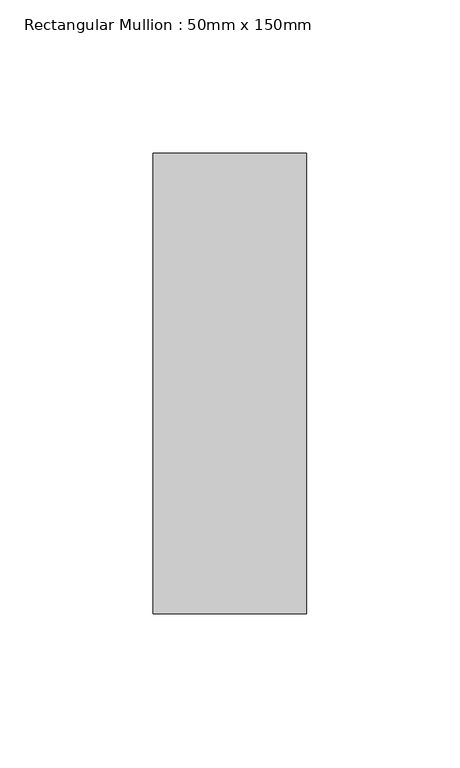
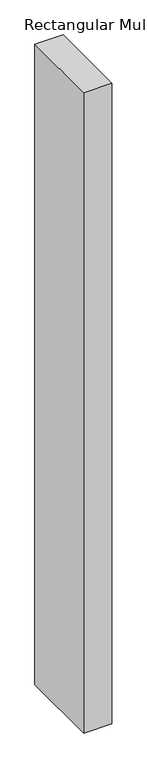
"""IFC4 building model written with IfcOpenShell, lengths in millimetres: member geometry, Rectangular Mullion : 50mm x 150mm."""

import ifcopenshell
import ifcopenshell.guid

model = None  # the IFC model being written
_history = None  # IfcOwnerHistory: only IFC2X3 demands one
_inside = {}  # id of a spatial element -> (the spatial element, [elements in it])
_under = {}  # id of a project, library or spatial element -> (it, [spatial elements below it])
_declared = {}  # id of a project -> (the project, [libraries it declares])
_typed = {}  # id of a type object -> (the type object, [elements of that type])
_made_of = {}  # id of a material, layer set ... -> (it, [elements and type objects made of it])


def new_model(schema):
    """Start an empty IFC model of exactly this schema.

    Asked for "IFC4X3", IfcOpenShell would pick the latest addendum, in which some entities
    have other attributes; the version numbers below select the first issue.
    IFC2X3 requires an IfcOwnerHistory on every rooted entity: one is made here for all.
    """
    global model, _history
    if schema == "IFC4X3":
        model = ifcopenshell.file(schema_version=(4, 3, 0, 0))
    else:
        model = ifcopenshell.file(schema=schema)
    _inside.clear()
    _under.clear()
    _declared.clear()
    _typed.clear()
    _made_of.clear()
    _history = None
    if model.schema == "IFC2X3":
        org = make("IfcOrganization", Name="unknown")
        user = make(
            "IfcPersonAndOrganization",
            ThePerson=make("IfcPerson", FamilyName="unknown"),
            TheOrganization=org,
        )
        app = make(
            "IfcApplication",
            ApplicationDeveloper=org,
            Version="unknown",
            ApplicationFullName="unknown",
            ApplicationIdentifier="unknown",
        )
        _history = make(
            "IfcOwnerHistory",
            OwningUser=user,
            OwningApplication=app,
            ChangeAction="ADDED",
            CreationDate=0,
        )
    return model


def make(cls, **values):
    """One entity of the class cls with the attributes given. An attribute that is None is left unset."""
    return model.create_entity(
        cls, **{name: value for name, value in values.items() if value is not None}
    )


def rooted(cls, **values):
    """An entity with a GlobalId (a new one), such as an element, a storey or a relation."""
    return make(cls, GlobalId=ifcopenshell.guid.new(), OwnerHistory=_history, **values)


def si_unit(unit_type, name, prefix=None):
    """IfcSIUnit, for example si_unit("LENGTHUNIT", "METRE", prefix="MILLI")."""
    return make("IfcSIUnit", UnitType=unit_type, Prefix=prefix, Name=name)


def assignment(units):
    """IfcUnitAssignment: the units of a project."""
    return None if units is None else make("IfcUnitAssignment", Units=units)


def point(xyz):
    """IfcCartesianPoint."""
    return None if xyz is None else make("IfcCartesianPoint", Coordinates=xyz)


def direction(xyz):
    """IfcDirection."""
    return None if xyz is None else make("IfcDirection", DirectionRatios=xyz)


def frame(location, z_axis=None, x_axis=None):
    """IfcAxis2Placement3D, a coordinate frame: its origin and axes. An axis left out is left unset."""
    return make(
        "IfcAxis2Placement3D",
        Location=point(location),
        Axis=direction(z_axis),
        RefDirection=direction(x_axis),
    )


def origin():
    """The frame at (0, 0, 0) with its axes left unset."""
    return frame((0.0, 0.0, 0.0))


def place(relative_to, where):
    """IfcLocalPlacement: puts the frame where relative to a parent placement (None: the world)."""
    return make(
        "IfcLocalPlacement", PlacementRelTo=relative_to, RelativePlacement=where
    )


def context(
    kind, dimensions, precision=None, world=None, true_north=None, identifier=None
):
    """IfcGeometricRepresentationContext, for example the 3D "Model" context."""
    return make(
        "IfcGeometricRepresentationContext",
        ContextIdentifier=identifier,
        ContextType=kind,
        CoordinateSpaceDimension=dimensions,
        Precision=precision,
        WorldCoordinateSystem=world,
        TrueNorth=true_north,
    )


def project(units=None, contexts=None):
    """IfcProject with its units and contexts."""
    return rooted(
        "IfcProject",
        Name="project",
        RepresentationContexts=contexts,
        UnitsInContext=assignment(units),
    )


def spatial(cls, under=None, at=None, **own):
    """A site, building, storey or space (cls), placed at a placement, below another one or the project."""
    s = rooted(cls, ObjectPlacement=at, **own)
    if under is not None:
        _under.setdefault(under.id(), (under, []))[1].append(s)
    return s


def polyline(points):
    """IfcPolyline through the points."""
    return make("IfcPolyline", Points=[point(p) for p in points])


def outline(outer, holes=None, kind="AREA"):
    """IfcArbitraryClosedProfileDef: a profile drawn as a closed curve; with holes, ...WithVoids."""
    if holes is None:
        return make("IfcArbitraryClosedProfileDef", ProfileType=kind, OuterCurve=outer)
    return make(
        "IfcArbitraryProfileDefWithVoids",
        ProfileType=kind,
        OuterCurve=outer,
        InnerCurves=holes,
    )


def extrude(swept, where, along, depth):
    """IfcExtrudedAreaSolid: the profile swept, set in the frame where, extruded along a direction by depth."""
    return make(
        "IfcExtrudedAreaSolid",
        SweptArea=swept,
        Position=where,
        ExtrudedDirection=direction(along),
        Depth=depth,
    )


def shape(context_of_items, identifier, shape_type, items):
    """IfcShapeRepresentation: the items that make up one representation, for example the "Body"."""
    return make(
        "IfcShapeRepresentation",
        ContextOfItems=context_of_items,
        RepresentationIdentifier=identifier,
        RepresentationType=shape_type,
        Items=items,
    )


def source(mapping_origin, context_of_items, identifier, shape_type, items):
    """IfcRepresentationMap: a shape defined once, which mapped items show again and again."""
    return make(
        "IfcRepresentationMap",
        MappingOrigin=mapping_origin,
        MappedRepresentation=shape(context_of_items, identifier, shape_type, items),
    )


def transform(
    local_origin,
    x_axis=None,
    y_axis=None,
    z_axis=None,
    scale=None,
    scale2=None,
    scale3=None,
    uniform=True,
):
    """IfcCartesianTransformationOperator3D, or its non-uniform kind. x_axis, y_axis, z_axis: its Axis1, 2, 3."""
    if uniform:
        return make(
            "IfcCartesianTransformationOperator3D",
            Axis1=direction(x_axis),
            Axis2=direction(y_axis),
            LocalOrigin=point(local_origin),
            Scale=scale,
            Axis3=direction(z_axis),
        )
    return make(
        "IfcCartesianTransformationOperator3DnonUniform",
        Axis1=direction(x_axis),
        Axis2=direction(y_axis),
        LocalOrigin=point(local_origin),
        Scale=scale,
        Axis3=direction(z_axis),
        Scale2=scale2,
        Scale3=scale3,
    )


def mapped(mapping_source, mapping_target):
    """IfcMappedItem: shows the shape of a source again, moved by a transform."""
    return make(
        "IfcMappedItem", MappingSource=mapping_source, MappingTarget=mapping_target
    )


def made_of(thing, what):
    """Note that an element or type object is made of a material, layer set ...; save() writes the relation."""
    if what is not None:
        _made_of.setdefault(what.id(), (what, []))[1].append(thing)
    return thing


def element(
    cls,
    number,
    at=None,
    inside=None,
    cuts=None,
    type_object=None,
    material=None,
    context=None,
    identifier="Body",
    shape_type=None,
    held_by="IfcProductDefinitionShape",
    body=None,
    shapes=None,
    **own,
):
    """One element of the class cls, such as IfcWall. Its Tag is "e" and its number.

    at: its placement. inside: the storey or other place that contains it. cuts: it is an
    opening in that element (IfcRelVoidsElement). A single representation is given by context,
    identifier, shape_type and body (its items); several are given by shapes. held_by: the class
    of the entity that holds the representations. save() writes the other relations.
    """
    e = rooted(cls, Tag="e%d" % number, ObjectPlacement=at, **own)
    if body is not None:
        shapes = [shape(context, identifier, shape_type, body)]
    if shapes is not None:
        e.Representation = make(held_by, Representations=shapes)
    if inside is not None:
        _inside.setdefault(inside.id(), (inside, []))[1].append(e)
    if cuts is not None:
        rooted(
            "IfcRelVoidsElement", RelatingBuildingElement=cuts, RelatedOpeningElement=e
        )
    if type_object is not None:
        _typed.setdefault(type_object.id(), (type_object, []))[1].append(e)
    return made_of(e, material)


def aggregate(whole, parts):
    """IfcRelAggregates: a whole, such as a stair, and the parts it consists of."""
    return rooted("IfcRelAggregates", RelatingObject=whole, RelatedObjects=parts)


def save(model, path):
    """Write the relations noted so far, then the file.

    IfcRelAggregates (storeys below a building ...), IfcRelContainedInSpatialStructure (elements
    in a storey), IfcRelDefinesByType, IfcRelAssociatesMaterial and IfcRelDeclares: one each for
    every whole, place, type object, material and project.
    """
    for whole, parts in _under.values():
        aggregate(whole, parts)
    for where, things in _inside.values():
        rooted(
            "IfcRelContainedInSpatialStructure",
            RelatedElements=things,
            RelatingStructure=where,
        )
    for kind, things in _typed.values():
        rooted("IfcRelDefinesByType", RelatedObjects=things, RelatingType=kind)
    for what, things in _made_of.values():
        rooted("IfcRelAssociatesMaterial", RelatedObjects=things, RelatingMaterial=what)
    for by, libraries in _declared.values():
        rooted("IfcRelDeclares", RelatingContext=by, RelatedDefinitions=libraries)
    model.write(path)


def rectangular_mullion_50mm_x_150mm_d99dc9be(model_context):
    return source(origin(), model_context, "Body", "SweptSolid", [
        extrude(outline(polyline([(25.0, 75.0), (25.0, -75.0), (-25.0, -75.0), (-25.0, 75.0), (25.0, 75.0)])), frame((0.0, 0.0, -1200.0), z_axis=(0.0, 0.0, 1.0), x_axis=(1.0, 0.0, 0.0)), (0.0, 0.0, 1.0), 1200.0),
    ])


if __name__ == "__main__":
    model = new_model("IFC4")
    model_context = context("Model", 3, world=origin())
    ifc_project = project(units=[si_unit("LENGTHUNIT", "METRE", prefix="MILLI")], contexts=[model_context])
    site = spatial("IfcSite", under=ifc_project)
    building = spatial("IfcBuilding", under=site)
    placement = place(None, origin())
    rectangular_mullion_50mm_x_150mm_shape = rectangular_mullion_50mm_x_150mm_d99dc9be(model_context)
    element("IfcMember", 1, ObjectType="Rectangular Mullion : 50mm x 150mm", at=placement, inside=building, context=model_context, shape_type="MappedRepresentation", body=[
        mapped(rectangular_mullion_50mm_x_150mm_shape, transform((0.0, 0.0, 0.0), x_axis=(1.0, 0.0, 0.0), y_axis=(0.0, 1.0, 0.0), z_axis=(0.0, 0.0, 1.0))),
    ])
    save(model, "model.ifc")
